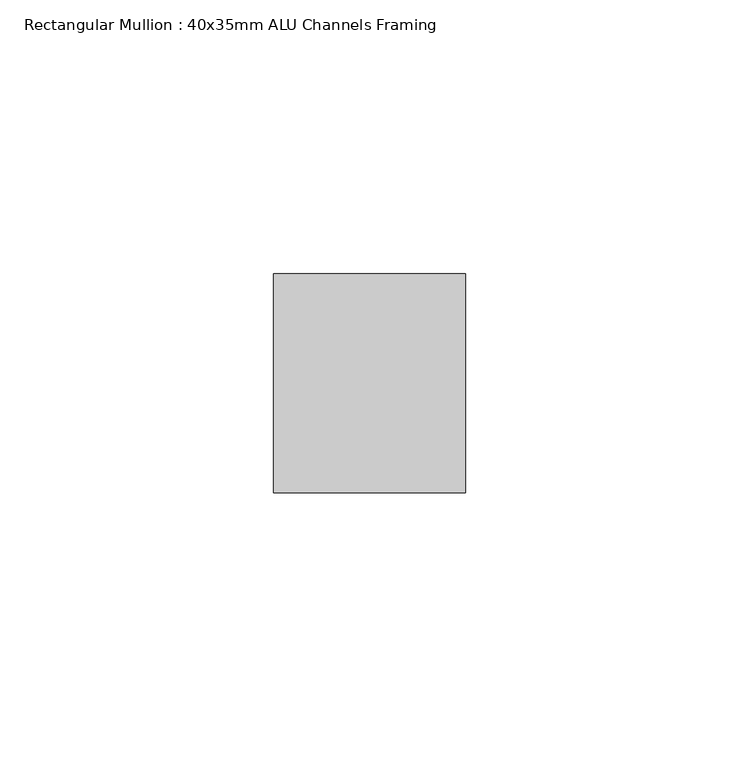
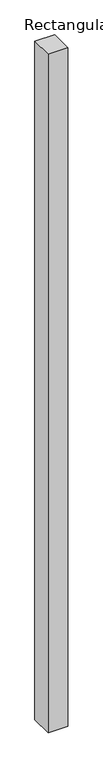
"""IFC4 building model written with IfcOpenShell, lengths in millimetres: member geometry, Rectangular Mullion : 40x35mm ALU Channels Framing."""

from ifc_helpers import new_model, si_unit, frame, origin, place, context, project, spatial, polyline, outline, extrude, source, transform, mapped, element, save


def rectangular_mullion_40x35mm_alu_channels_framing_c3da5acd(model_context):
    return source(origin(), model_context, "Body", "SweptSolid", [
        extrude(outline(polyline([(0.0, 20.0), (0.0, -20.0), (-35.0, -20.0), (-35.0, 20.0), (0.0, 20.0)])), frame((0.0, 0.0, -1265.0), z_axis=(0.0, 0.0, 1.0), x_axis=(1.0, 0.0, 0.0)), (0.0, 0.0, 1.0), 1265.0),
    ])


if __name__ == "__main__":
    model = new_model("IFC4")
    model_context = context("Model", 3, world=origin())
    ifc_project = project(units=[si_unit("LENGTHUNIT", "METRE", prefix="MILLI")], contexts=[model_context])
    site = spatial("IfcSite", under=ifc_project)
    building = spatial("IfcBuilding", under=site)
    placement = place(None, origin())
    rectangular_mullion_40x35mm_alu_channels_framing_shape = rectangular_mullion_40x35mm_alu_channels_framing_c3da5acd(model_context)
    element("IfcMember", 1, ObjectType="Rectangular Mullion : 40x35mm ALU Channels Framing", at=placement, inside=building, context=model_context, shape_type="MappedRepresentation", body=[
        mapped(rectangular_mullion_40x35mm_alu_channels_framing_shape, transform((0.0, 0.0, 0.0), x_axis=(1.0, 0.0, 0.0), y_axis=(0.0, 1.0, 0.0), z_axis=(0.0, 0.0, 1.0))),
    ])
    save(model, "model.ifc")
